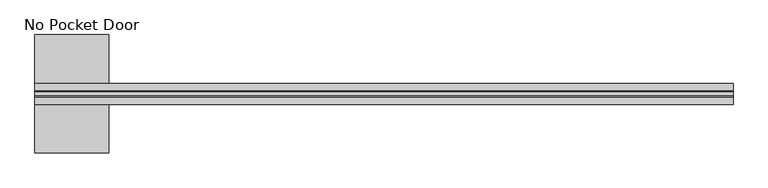
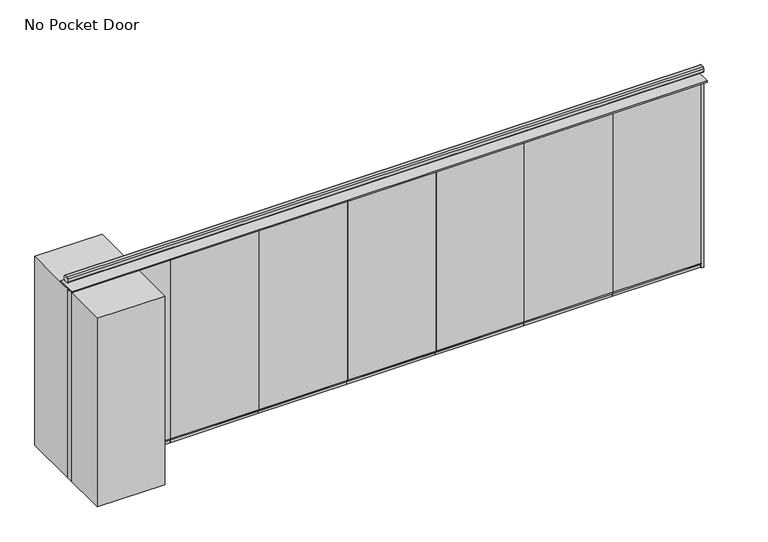
"""IFC4 building model written with IfcOpenShell, lengths in millimetres: proxy geometry, No Pocket Door."""

from ifc_helpers import new_model, si_unit, point, frame, frame_2d, origin, origin_with_axes, place, context, project, spatial, polyline, circle_curve, trimmed, segment, composite_curve, outline, extrude, source, transform, mapped, element, save


def no_pocket_door_96e8954a(model_context):
    return source(origin(), model_context, "Body", "SweptSolid", [
        extrude(outline(polyline([(19.05, 0.0), (-19.05, 0.0), (-19.05, 50.8), (-38.1, 50.8), (-38.1, 66.675), (38.1, 66.675), (38.1, 50.8), (19.05, 50.8), (19.05, 0.0)])), frame((4790.789264, 0.0, 0.0), z_axis=(1.0, 0.0, 0.0), x_axis=(0.0, 1.0, 0.0)), (0.0, 0.0, 1.0), 1207.4071429),
        extrude(outline(polyline([(5998.1964069, -38.1), (4790.789264, -38.1), (4790.789264, 38.1), (5998.1964069, 38.1), (5998.1964069, -38.1)])), frame((0.0, 0.0, 2679.7), z_axis=(0.0, 0.0, 1.0), x_axis=(1.0, 0.0, 0.0)), (0.0, 0.0, 1.0), 44.45),
        extrude(outline(polyline([(5997.8431881, 38.1), (5997.8431881, -38.1), (4791.043264, -38.1), (4791.043264, 38.1), (5997.8431881, 38.1)])), frame((0.0, 0.0, 66.675), z_axis=(0.0, 0.0, 1.0), x_axis=(1.0, 0.0, 0.0)), (0.0, 0.0, 1.0), 2613.025),
        extrude(outline(polyline([(19.05, 0.0), (-19.05, 0.0), (-19.05, 50.8), (-38.1, 50.8), (-38.1, 66.675), (38.1, 66.675), (38.1, 50.8), (19.05, 50.8), (19.05, 0.0)])), frame((3583.3821211, 0.0, 0.0), z_axis=(1.0, 0.0, 0.0), x_axis=(0.0, 1.0, 0.0)), (0.0, 0.0, 1.0), 1207.4071429),
        extrude(outline(polyline([(4790.789264, -38.1), (3583.3821211, -38.1), (3583.3821211, 38.1), (4790.789264, 38.1), (4790.789264, -38.1)])), frame((0.0, 0.0, 2679.7), z_axis=(0.0, 0.0, 1.0), x_axis=(1.0, 0.0, 0.0)), (0.0, 0.0, 1.0), 44.45),
        extrude(outline(polyline([(4790.4360452, 38.1), (4790.4360452, -38.1), (3583.6361211, -38.1), (3583.6361211, 38.1), (4790.4360452, 38.1)])), frame((0.0, 0.0, 66.675), z_axis=(0.0, 0.0, 1.0), x_axis=(1.0, 0.0, 0.0)), (0.0, 0.0, 1.0), 2613.025),
        extrude(outline(polyline([(19.05, 0.0), (-19.05, 0.0), (-19.05, 50.8), (-38.1, 50.8), (-38.1, 66.675), (38.1, 66.675), (38.1, 50.8), (19.05, 50.8), (19.05, 0.0)])), frame((2375.9749783, 0.0, 0.0), z_axis=(1.0, 0.0, 0.0), x_axis=(0.0, 1.0, 0.0)), (0.0, 0.0, 1.0), 1207.4071429),
        extrude(outline(polyline([(3583.3821211, -38.1), (2375.9749783, -38.1), (2375.9749783, 38.1), (3583.3821211, 38.1), (3583.3821211, -38.1)])), frame((0.0, 0.0, 2679.7), z_axis=(0.0, 0.0, 1.0), x_axis=(1.0, 0.0, 0.0)), (0.0, 0.0, 1.0), 44.45),
        extrude(outline(polyline([(3583.0289024, 38.1), (3583.0289024, -38.1), (2376.2289783, -38.1), (2376.2289783, 38.1), (3583.0289024, 38.1)])), frame((0.0, 0.0, 66.675), z_axis=(0.0, 0.0, 1.0), x_axis=(1.0, 0.0, 0.0)), (0.0, 0.0, 1.0), 2613.025),
        extrude(outline(polyline([(19.05, 0.0), (-19.05, 0.0), (-19.05, 50.8), (-38.1, 50.8), (-38.1, 66.675), (38.1, 66.675), (38.1, 50.8), (19.05, 50.8), (19.05, 0.0)])), frame((1168.5678354, 0.0, 0.0), z_axis=(1.0, 0.0, 0.0), x_axis=(0.0, 1.0, 0.0)), (0.0, 0.0, 1.0), 1207.4071429),
        extrude(outline(polyline([(2375.9749783, -38.1), (1168.5678354, -38.1), (1168.5678354, 38.1), (2375.9749783, 38.1), (2375.9749783, -38.1)])), frame((0.0, 0.0, 2679.7), z_axis=(0.0, 0.0, 1.0), x_axis=(1.0, 0.0, 0.0)), (0.0, 0.0, 1.0), 44.45),
        extrude(outline(polyline([(2375.6217595, 38.1), (2375.6217595, -38.1), (1168.8218354, -38.1), (1168.8218354, 38.1), (2375.6217595, 38.1)])), frame((0.0, 0.0, 66.675), z_axis=(0.0, 0.0, 1.0), x_axis=(1.0, 0.0, 0.0)), (0.0, 0.0, 1.0), 2613.025),
        extrude(outline(polyline([(19.05, 0.0), (-19.05, 0.0), (-19.05, 50.8), (-38.1, 50.8), (-38.1, 66.675), (38.1, 66.675), (38.1, 50.8), (19.05, 50.8), (19.05, 0.0)])), frame((-38.8393074, 0.0, 0.0), z_axis=(1.0, 0.0, 0.0), x_axis=(0.0, 1.0, 0.0)), (0.0, 0.0, 1.0), 1207.4071429),
        extrude(outline(polyline([(1168.5678354, -38.1), (-38.8393074, -38.1), (-38.8393074, 38.1), (1168.5678354, 38.1), (1168.5678354, -38.1)])), frame((0.0, 0.0, 2679.7), z_axis=(0.0, 0.0, 1.0), x_axis=(1.0, 0.0, 0.0)), (0.0, 0.0, 1.0), 44.45),
        extrude(outline(polyline([(1168.2146167, 38.1), (1168.2146167, -38.1), (-38.5853074, -38.1), (-38.5853074, 38.1), (1168.2146167, 38.1)])), frame((0.0, 0.0, 66.675), z_axis=(0.0, 0.0, 1.0), x_axis=(1.0, 0.0, 0.0)), (0.0, 0.0, 1.0), 2613.025),
        extrude(outline(polyline([(-1220.8464503, -120.65), (-1449.4464503, -120.65), (-1449.4464503, -44.45), (-1220.8464503, -44.45), (-1220.8464503, -120.65)])), origin_with_axes(), (0.0, 0.0, 1.0), 2724.15),
        extrude(outline(polyline([(7237.3535497, -38.1), (7205.6035497, -38.1), (7205.6035497, 38.1), (7237.3535497, 38.1), (7237.3535497, -38.1)])), origin_with_axes(), (0.0, 0.0, 1.0), 2724.15),
        extrude(outline(polyline([(19.05, 0.0), (-19.05, 0.0), (-19.05, 50.8), (-38.1, 50.8), (-38.1, 66.675), (38.1, 66.675), (38.1, 50.8), (19.05, 50.8), (19.05, 0.0)])), frame((5998.1964069, 0.0, 0.0), z_axis=(1.0, 0.0, 0.0), x_axis=(0.0, 1.0, 0.0)), (0.0, 0.0, 1.0), 1207.4071429),
        extrude(outline(polyline([(7205.6035497, -38.1), (5998.1964069, -38.1), (5998.1964069, 38.1), (7205.6035497, 38.1), (7205.6035497, -38.1)])), frame((0.0, 0.0, 2679.7), z_axis=(0.0, 0.0, 1.0), x_axis=(1.0, 0.0, 0.0)), (0.0, 0.0, 1.0), 44.45),
        extrude(outline(polyline([(7205.250331, 38.1), (7205.250331, -38.1), (5998.4504069, -38.1), (5998.4504069, 38.1), (7205.250331, 38.1)])), frame((0.0, 0.0, 66.675), z_axis=(0.0, 0.0, 1.0), x_axis=(1.0, 0.0, 0.0)), (0.0, 0.0, 1.0), 2613.025),
        extrude(outline(polyline([(19.05, 0.0), (-19.05, 0.0), (-19.05, 50.8), (-38.1, 50.8), (-38.1, 66.675), (38.1, 66.675), (38.1, 50.8), (19.05, 50.8), (19.05, 0.0)])), frame((-1246.2464503, 0.0, 0.0), z_axis=(1.0, 0.0, 0.0), x_axis=(0.0, 1.0, 0.0)), (0.0, 0.0, 1.0), 1207.4071429),
        extrude(outline(polyline([(-38.8393074, -38.1), (-1246.2464503, -38.1), (-1246.2464503, 38.1), (-38.8393074, 38.1), (-38.8393074, -38.1)])), frame((0.0, 0.0, 2679.7), z_axis=(0.0, 0.0, 1.0), x_axis=(1.0, 0.0, 0.0)), (0.0, 0.0, 1.0), 44.45),
        extrude(outline(polyline([(-39.1925262, 38.1), (-39.1925262, -38.1), (-1245.9924503, -38.1), (-1245.9924503, 38.1), (-39.1925262, 38.1)])), frame((0.0, 0.0, 66.675), z_axis=(0.0, 0.0, 1.0), x_axis=(1.0, 0.0, 0.0)), (0.0, 0.0, 1.0), 2613.025),
        extrude(outline(polyline([(-528.6964503, 736.6), (-528.6964503, -736.6), (-1449.4464503, -736.6), (-1449.4464503, 736.6), (-528.6964503, 736.6)])), origin_with_axes(), (0.0, 0.0, 1.0), 2724.15),
        extrude(outline(polyline([(7237.3535497, -130.175), (-1449.4464503, -130.175), (-1449.4464503, 130.175), (7237.3535497, 130.175), (7237.3535497, -130.175)])), frame((0.0, 0.0, 2724.15), z_axis=(0.0, 0.0, 1.0), x_axis=(1.0, 0.0, 0.0)), (0.0, 0.0, 1.0), 19.05),
        extrude(outline(composite_curve([segment(trimmed(circle_curve(frame_2d((22.225, 2867.025)), 15.875), [point((22.225, 2882.9))], [point((38.1, 2867.025))], False, "CARTESIAN"), True, "CONTINUOUS"), segment(polyline([(38.1, 2867.025), (38.1, 2822.575)]), True, "CONTINUOUS"), segment(trimmed(circle_curve(frame_2d((22.225, 2822.575)), 15.875), [point((38.1, 2822.575))], [point((22.225, 2806.7))], False, "CARTESIAN"), True, "CONTINUOUS"), segment(polyline([(22.225, 2806.7), (-22.225, 2806.7)]), True, "CONTINUOUS"), segment(trimmed(circle_curve(frame_2d((-22.225, 2822.575)), 15.875), [point((-22.225, 2806.7))], [point((-38.1, 2822.575))], False, "CARTESIAN"), True, "CONTINUOUS"), segment(polyline([(-38.1, 2822.575), (-38.1, 2867.025)]), True, "CONTINUOUS"), segment(trimmed(circle_curve(frame_2d((-22.225, 2867.025)), 15.875), [point((-38.1, 2867.025))], [point((-22.225, 2882.9))], False, "CARTESIAN"), True, "CONTINUOUS"), segment(polyline([(-22.225, 2882.9), (22.225, 2882.9)]), True, "CONTINUOUS")], self_intersect=False)), frame((-1449.4464503, 0.0, 0.0), z_axis=(1.0, 0.0, 0.0), x_axis=(0.0, 1.0, 0.0)), (0.0, 0.0, 1.0), 8686.8),
    ])


if __name__ == "__main__":
    model = new_model("IFC4")
    model_context = context("Model", 3, world=origin())
    ifc_project = project(units=[si_unit("LENGTHUNIT", "METRE", prefix="MILLI")], contexts=[model_context])
    site = spatial("IfcSite", under=ifc_project)
    building = spatial("IfcBuilding", under=site)
    placement = place(None, origin())
    no_pocket_door_shape = no_pocket_door_96e8954a(model_context)
    element("IfcBuildingElementProxy", 1, Name="No Pocket Door", ObjectType="No Pocket Door", at=placement, inside=building, context=model_context, shape_type="MappedRepresentation", body=[
        mapped(no_pocket_door_shape, transform((0.0, 0.0, 0.0), x_axis=(1.0, 0.0, 0.0), y_axis=(0.0, 1.0, 0.0), z_axis=(0.0, 0.0, 1.0))),
    ])
    save(model, "model.ifc")
